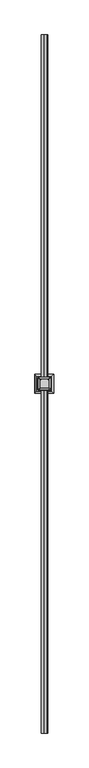
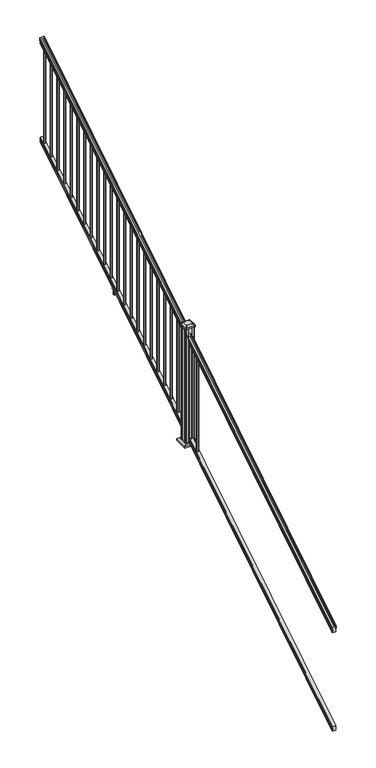
"""IFC4 building model written with IfcOpenShell, lengths in millimetres: railing geometry."""

from ifc_helpers import new_model, si_unit, point, frame, frame_2d, origin, place, context, project, spatial, polyline, circle_curve, ellipse_curve, trimmed, segment, composite_curve, outline, extrude, faceted_brep, source, transform, mapped, element, save
from ifc_brep_helpers import plane_surface, cylinder_surface, revolved_surface, extruded_surface, advanced_brep


def railing_0dab42d3(model_context):
    return source(origin(), model_context, "Body", "SolidModel", [
        advanced_brep(
        [(11110.7614371, -16813.8194681, 1285.6070492), (11113.3352659, -16813.8194681, 1285.6070492), (11113.3352659, -16813.8194681, 1273.0394336), (11112.3192659, -16813.8194681, 1271.841318), (11112.3192659, -16813.8194681, 1257.3), (11144.0692659, -16813.8194681, 1257.3), (11144.0692659, -16813.8194681, 1272.0274214), (11143.0532659, -16813.8194681, 1273.225537), (11143.0532659, -16813.8194681, 1285.6070492), (11145.6270946, -16813.8194681, 1285.6070492), (11145.6270946, -16813.8194681, 1287.8335658), (11146.7572809, -16813.8194681, 1289.6758543), (11146.7572809, -16813.8194681, 1298.1876358), (11146.1080245, -16813.8194681, 1301.0572588), (11148.6080245, -16813.8194681, 1306.1635509), (11150.017367, -16813.8194681, 1308.1442021), (11150.419266, -16813.8194681, 1309.4469579), (11150.4192659, -16813.8194681, 1311.0274846), (11148.8658186, -16813.8194681, 1312.8593836), (11128.1942659, -16813.8194681, 1312.8593836), (11107.5227131, -16813.8194681, 1312.8593836), (11105.9692659, -16813.8194681, 1311.0274846), (11105.9692659, -16813.8194681, 1309.4469579), (11106.3711648, -16813.8194681, 1308.1442021), (11107.7805072, -16813.8194681, 1306.1635509), (11110.2805072, -16813.8194681, 1301.0572588), (11109.6312508, -16813.8194681, 1298.1876358), (11109.6312508, -16813.8194681, 1289.6758543), (11110.7614371, -16813.8194681, 1287.8335658), (11110.7614371, -11937.0194681, 4333.6070492), (11110.7614371, -11937.0194681, 4335.8335658), (11109.6312508, -11937.0194681, 4337.6758543), (11109.6312508, -11937.0194681, 4346.1876358), (11110.2805072, -11937.0194681, 4349.0572588), (11107.7805072, -11937.0194681, 4354.1635509), (11106.3711648, -11937.0194681, 4356.1442021), (11105.9692658, -11937.0194681, 4357.4469579), (11105.9692659, -11937.0194681, 4359.0274846), (11107.5227131, -11937.0194681, 4360.8593836), (11128.1942659, -11937.0194681, 4360.8593836), (11148.8658186, -11937.0194681, 4360.8593836), (11150.4192659, -11937.0194681, 4359.0274846), (11150.4192659, -11937.0194681, 4357.4469579), (11150.017367, -11937.0194681, 4356.1442021), (11148.6080245, -11937.0194681, 4354.1635509), (11146.1080245, -11937.0194681, 4349.0572588), (11146.7572809, -11937.0194681, 4346.1876358), (11146.7572809, -11937.0194681, 4337.6758543), (11145.6270946, -11937.0194681, 4335.8335658), (11145.6270946, -11937.0194681, 4333.6070492), (11143.0532659, -11937.0194681, 4333.6070492), (11143.0532659, -11937.0194681, 4321.225537), (11144.0692659, -11937.0194681, 4320.0274214), (11144.0692659, -11937.0194681, 4305.3), (11112.3192659, -11937.0194681, 4305.3), (11112.3192659, -11937.0194681, 4319.841318), (11113.3352659, -11937.0194681, 4321.0394336), (11113.3352659, -11937.0194681, 4333.6070492)],
        [
            (0, 1, ellipse_curve(frame((11112.0483515, -16813.8194681, 1285.6070492), z_axis=(0.0, -1.0, 0.0), x_axis=(0.0, 0.0, -1.0)), 1.5175907, 1.2869144)),
            (1, 2),
            (2, 3),
            (3, 4),
            (4, 5),
            (5, 6),
            (6, 7),
            (7, 8),
            (8, 9, ellipse_curve(frame((11144.3401802, -16813.8194681, 1285.6070492), z_axis=(0.0, -1.0, 0.0), x_axis=(0.0, 0.0, -1.0)), 1.5175907, 1.2869144)),
            (9, 10),
            (10, 11, ellipse_curve(frame((11139.3123413, -16813.8194681, 1294.6239405), z_axis=(0.0, -1.0, 0.0), x_axis=(0.0, 0.0, -1.0)), 10.0777926, 8.545951)),
            (11, 12, ellipse_curve(frame((11139.7494043, -16813.8194681, 1293.9317451), z_axis=(0.0, -1.0, 0.0), x_axis=(0.0, 0.0, -1.0)), 9.2955186, 7.882584)),
            (12, 13, ellipse_curve(frame((11150.2627284, -16813.8194681, 1300.8275077), z_axis=(0.0, 1.0, 0.0), x_axis=(0.0, 0.0, 1.0)), 4.9048088, 4.1592695)),
            (13, 14, ellipse_curve(frame((11151.550035, -16813.8194681, 1300.7563208), z_axis=(0.0, 1.0, 0.0), x_axis=(0.0, 0.0, 1.0)), 6.4245301, 5.4479907)),
            (14, 15, ellipse_curve(frame((11150.3168765, -16813.8194681, 1306.1602333), z_axis=(0.0, 1.0, 0.0), x_axis=(0.0, 0.0, 1.0)), 2.0151625, 1.7088543)),
            (15, 16, ellipse_curve(frame((11148.6999764, -16813.8194681, 1309.4469579), z_axis=(0.0, -1.0, 0.0), x_axis=(0.0, 0.0, -1.0)), 2.0274681, 1.7192895)),
            (16, 17),
            (17, 18, ellipse_curve(frame((11148.8658186, -16813.8194681, 1311.0274846), z_axis=(0.0, -1.0, 0.0), x_axis=(0.0, 0.0, -1.0)), 1.831899, 1.5534472)),
            (18, 19),
            (19, 20),
            (20, 21, ellipse_curve(frame((11107.5227131, -16813.8194681, 1311.0274846), z_axis=(0.0, -1.0, 0.0), x_axis=(0.0, 0.0, -1.0)), 1.831899, 1.5534472)),
            (21, 22),
            (22, 23, ellipse_curve(frame((11107.6885553, -16813.8194681, 1309.4469579), z_axis=(0.0, -1.0, 0.0), x_axis=(0.0, 0.0, -1.0)), 2.0274681, 1.7192895)),
            (23, 24, ellipse_curve(frame((11106.0716552, -16813.8194681, 1306.1602333), z_axis=(0.0, 1.0, 0.0), x_axis=(0.0, 0.0, 1.0)), 2.0151625, 1.7088543)),
            (24, 25, ellipse_curve(frame((11104.8384968, -16813.8194681, 1300.7563208), z_axis=(0.0, 1.0, 0.0), x_axis=(0.0, 0.0, 1.0)), 6.4245301, 5.4479907)),
            (25, 26, ellipse_curve(frame((11106.1258033, -16813.8194681, 1300.8275077), z_axis=(0.0, 1.0, 0.0), x_axis=(0.0, 0.0, 1.0)), 4.9048088, 4.1592695)),
            (26, 27, ellipse_curve(frame((11116.6391275, -16813.8194681, 1293.9317451), z_axis=(0.0, -1.0, 0.0), x_axis=(0.0, 0.0, -1.0)), 9.2955186, 7.882584)),
            (27, 28, ellipse_curve(frame((11117.0761904, -16813.8194681, 1294.6239405), z_axis=(0.0, -1.0, 0.0), x_axis=(0.0, 0.0, -1.0)), 10.0777926, 8.545951)),
            (28, 0),
            (29, 30),
            (30, 31, ellipse_curve(frame((11117.0761904, -11937.0194681, 4342.6239405), z_axis=(0.0, 1.0, 0.0), x_axis=(0.0, 0.0, -1.0)), 10.0777926, 8.545951)),
            (31, 32, ellipse_curve(frame((11116.6391275, -11937.0194681, 4341.9317451), z_axis=(0.0, 1.0, 0.0), x_axis=(0.0, 0.0, -1.0)), 9.2955186, 7.882584)),
            (32, 33, ellipse_curve(frame((11106.1258033, -11937.0194681, 4348.8275077), z_axis=(0.0, -1.0, 0.0), x_axis=(0.0, 0.0, 1.0)), 4.9048088, 4.1592695)),
            (33, 34, ellipse_curve(frame((11104.8384968, -11937.0194681, 4348.7563208), z_axis=(0.0, -1.0, 0.0), x_axis=(0.0, 0.0, 1.0)), 6.4245301, 5.4479907)),
            (34, 35, ellipse_curve(frame((11106.0716552, -11937.0194681, 4354.1602333), z_axis=(0.0, -1.0, 0.0), x_axis=(0.0, 0.0, 1.0)), 2.0151625, 1.7088543)),
            (35, 36, ellipse_curve(frame((11107.6885553, -11937.0194681, 4357.4469579), z_axis=(0.0, 1.0, 0.0), x_axis=(0.0, 0.0, -1.0)), 2.0274681, 1.7192895)),
            (36, 37),
            (37, 38, ellipse_curve(frame((11107.5227131, -11937.0194681, 4359.0274846), z_axis=(0.0, 1.0, 0.0), x_axis=(0.0, 0.0, -1.0)), 1.831899, 1.5534472)),
            (38, 39),
            (39, 40),
            (40, 41, ellipse_curve(frame((11148.8658186, -11937.0194681, 4359.0274846), z_axis=(0.0, 1.0, 0.0), x_axis=(0.0, 0.0, -1.0)), 1.831899, 1.5534472)),
            (41, 42),
            (42, 43, ellipse_curve(frame((11148.6999764, -11937.0194681, 4357.4469579), z_axis=(0.0, 1.0, 0.0), x_axis=(0.0, 0.0, -1.0)), 2.0274681, 1.7192895)),
            (43, 44, ellipse_curve(frame((11150.3168765, -11937.0194681, 4354.1602333), z_axis=(0.0, -1.0, 0.0), x_axis=(0.0, 0.0, 1.0)), 2.0151625, 1.7088543)),
            (44, 45, ellipse_curve(frame((11151.550035, -11937.0194681, 4348.7563208), z_axis=(0.0, -1.0, 0.0), x_axis=(0.0, 0.0, 1.0)), 6.4245301, 5.4479907)),
            (45, 46, ellipse_curve(frame((11150.2627284, -11937.0194681, 4348.8275077), z_axis=(0.0, -1.0, 0.0), x_axis=(0.0, 0.0, 1.0)), 4.9048088, 4.1592695)),
            (46, 47, ellipse_curve(frame((11139.7494043, -11937.0194681, 4341.9317451), z_axis=(0.0, 1.0, 0.0), x_axis=(0.0, 0.0, -1.0)), 9.2955186, 7.882584)),
            (47, 48, ellipse_curve(frame((11139.3123413, -11937.0194681, 4342.6239405), z_axis=(0.0, 1.0, 0.0), x_axis=(0.0, 0.0, -1.0)), 10.0777926, 8.545951)),
            (48, 49),
            (49, 50, ellipse_curve(frame((11144.3401802, -11937.0194681, 4333.6070492), z_axis=(0.0, 1.0, 0.0), x_axis=(0.0, 0.0, -1.0)), 1.5175907, 1.2869144)),
            (50, 51),
            (51, 52),
            (52, 53),
            (53, 54),
            (54, 55),
            (55, 56),
            (56, 57),
            (57, 29, ellipse_curve(frame((11112.0483515, -11937.0194681, 4333.6070492), z_axis=(0.0, 1.0, 0.0), x_axis=(0.0, 0.0, -1.0)), 1.5175907, 1.2869144)),
            (0, 29),
            (57, 1),
            (56, 2),
            (55, 3),
            (54, 4),
            (53, 5),
            (52, 6),
            (51, 7),
            (50, 8),
            (49, 9),
            (48, 10),
            (47, 11),
            (46, 12),
            (45, 13),
            (44, 14),
            (43, 15),
            (42, 16),
            (41, 17),
            (40, 18),
            (39, 19),
            (38, 20),
            (37, 21),
            (36, 22),
            (35, 23),
            (34, 24),
            (33, 25),
            (32, 26),
            (31, 27),
            (30, 28),
        ],
        [
            plane_surface(frame((11128.1942659, -16813.8194681, 1257.3), z_axis=(0.0, -1.0, 0.0), x_axis=(0.0, 0.0, 1.0))),
            plane_surface(frame((11128.1942659, -11937.0194681, 4305.3), z_axis=(0.0, 1.0, 0.0), x_axis=(0.0, 0.0, 1.0))),
            cylinder_surface(frame((11112.0483515, -16826.5417374, 1277.6556309), z_axis=(0.0, -0.8479983040051253, -0.5299989400031204), x_axis=(1.0, 0.0, 0.0)), 1.2869144),
            plane_surface(frame((11113.3352659, -16813.8194681, 1285.6070492), z_axis=(-1.0000000000000002, 0.0, 0.0), x_axis=(0.0, 0.8479983040051253, 0.5299989400031204))),
            plane_surface(frame((11113.3352659, -16813.8194681, 1273.0394336), z_axis=(-0.7071067811865402, -0.3747658444978915, 0.5996253511967223), x_axis=(0.0, 0.8479983040051253, 0.5299989400031203))),
            plane_surface(frame((11112.3192659, -16813.8194681, 1271.841318), z_axis=(-1.0000000000000002, 0.0, 0.0), x_axis=(0.0, 0.8479983040051253, 0.5299989400031204))),
            plane_surface(frame((11112.3192659, -16813.8194681, 1257.3), z_axis=(0.0, 0.5299989400031204, -0.8479983040051252), x_axis=(0.0, 0.8479983040051252, 0.5299989400031204))),
            plane_surface(frame((11144.0692659, -16813.8194681, 1257.3), z_axis=(1.0000000000000002, 0.0, 0.0), x_axis=(0.0, 0.8479983040051253, 0.5299989400031204))),
            plane_surface(frame((11144.0692659, -16813.8194681, 1272.0274214), z_axis=(0.7071067811865425, -0.37476584449789213, 0.5996253511967193), x_axis=(0.0, 0.8479983040051253, 0.5299989400031203))),
            plane_surface(frame((11143.0532659, -16813.8194681, 1273.225537), z_axis=(1.0, 0.0, 0.0), x_axis=(0.0, 0.8479983040051252, 0.5299989400031204))),
            cylinder_surface(frame((11144.3401802, -16826.5417374, 1277.6556309), z_axis=(0.0, -0.8479983040051253, -0.5299989400031204), x_axis=(-1.0, 0.0, 0.0)), 1.2869144),
            plane_surface(frame((11145.6270946, -16813.8194681, 1285.6070492), z_axis=(1.0000000000000002, 0.0, 0.0), x_axis=(0.0, 0.8479983040051253, 0.5299989400031204))),
            cylinder_surface(frame((11139.3123413, -16830.5942728, 1284.1396876), z_axis=(0.0, -0.8479983040051253, -0.5299989400031204), x_axis=(-1.0, 0.0, 0.0)), 8.545951),
            cylinder_surface(frame((11139.7494043, -16830.2831737, 1283.641929), z_axis=(0.0, -0.8479983040051253, -0.5299989400031204), x_axis=(-1.0, 0.0, 0.0)), 7.882584),
            revolved_surface(polyline([(11146.1034589, -11934.815059650346, 4350.205262980555), (11146.1034589, -16816.023876549436, 1299.4497524191004)]), (11150.2627284, -16833.3823929, 1288.6006797), (0.0, 0.8479983040051253, 0.5299989400031204)),
            revolved_surface(polyline([(11146.1020443, -11934.132038835738, 4350.5609640771845), (11146.1020443, -16816.706897352808, 1298.9516775044945)]), (11151.550035, -16833.3503988, 1288.5494891), (0.0, 0.8479983040051253, 0.5299989400031204)),
            revolved_surface(polyline([(11148.608022199998, -11936.113777099785, 4354.726290199656), (11148.608022199998, -16814.72515912247, 1305.5941764359545)]), (11150.3168765, -16835.7791235, 1292.4354487), (0.0, 0.8479983040051253, 0.5299989400031204)),
            cylinder_surface(frame((11148.6999764, -16837.2563031, 1294.798936), z_axis=(0.0, -0.8479983040051253, -0.5299989400031204), x_axis=(-1.0, 0.0, 0.0)), 1.7192895),
            plane_surface(frame((11150.4192659, -16813.8194681, 1309.4469579), z_axis=(1.0000000000000002, 0.0, 0.0), x_axis=(0.0, 0.8479983040051253, 0.5299989400031204))),
            cylinder_surface(frame((11148.8658186, -16837.9666522, 1295.9354945), z_axis=(0.0, -0.8479983040051253, -0.5299989400031204), x_axis=(-1.0, 0.0, 0.0)), 1.5534472),
            plane_surface(frame((11148.8658186, -16813.8194681, 1312.8593836), z_axis=(0.0, -0.5299989400031204, 0.8479983040051252), x_axis=(0.0, 0.8479983040051252, 0.5299989400031204))),
            plane_surface(frame((11128.1942659, -16813.8194681, 1312.8593836), z_axis=(0.0, -0.5299989400031204, 0.8479983040051252), x_axis=(0.0, 0.8479983040051252, 0.5299989400031204))),
            cylinder_surface(frame((11107.5227131, -16837.9666522, 1295.9354945), z_axis=(0.0, -0.8479983040051253, -0.5299989400031204), x_axis=(1.0, 0.0, 0.0)), 1.5534472),
            plane_surface(frame((11105.9692659, -16813.8194681, 1311.0274846), z_axis=(-1.0, 0.0, 0.0), x_axis=(0.0, 0.8479983040051252, 0.5299989400031204))),
            cylinder_surface(frame((11107.6885553, -16837.2563031, 1294.798936), z_axis=(0.0, -0.8479983040051253, -0.5299989400031204), x_axis=(1.0, 0.0, 0.0)), 1.7192895),
            revolved_surface(polyline([(11107.7805095, -11936.113777099785, 4354.726290199656), (11107.7805095, -16814.72515912247, 1305.5941764359545)]), (11106.0716552, -16835.7791235, 1292.4354487), (0.0, 0.8479983040051253, 0.5299989400031204)),
            revolved_surface(polyline([(11110.2864875, -11934.132038835738, 4350.5609640771845), (11110.2864875, -16816.706897352808, 1298.9516775044945)]), (11104.8384968, -16833.3503988, 1288.5494891), (0.0, 0.8479983040051253, 0.5299989400031204)),
            revolved_surface(polyline([(11110.2850728, -11934.815059650346, 4350.205262980555), (11110.2850728, -16816.023876549436, 1299.4497524191004)]), (11106.1258033, -16833.3823929, 1288.6006797), (0.0, 0.8479983040051253, 0.5299989400031204)),
            cylinder_surface(frame((11116.6391275, -16830.2831737, 1283.641929), z_axis=(0.0, -0.8479983040051253, -0.5299989400031204), x_axis=(1.0, 0.0, 0.0)), 7.882584),
            cylinder_surface(frame((11117.0761904, -16830.5942728, 1284.1396876), z_axis=(0.0, -0.8479983040051253, -0.5299989400031204), x_axis=(1.0, 0.0, 0.0)), 8.545951),
            plane_surface(frame((11110.7614371, -16813.8194681, 1287.8335658), z_axis=(-1.0, 0.0, 0.0), x_axis=(0.0, 0.8479983040051252, 0.5299989400031204))),
        ],
        [
            (0, [[1, 2, 3, 4, 5, 6, 7, 8, 9, 10, 11, 12, 13, 14, 15, 16, 17, 18, 19, 20, 21, 22, 23, 24, 25, 26, 27, 28, 29]]),
            (1, [[30, 31, 32, 33, 34, 35, 36, 37, 38, 39, 40, 41, 42, 43, 44, 45, 46, 47, 48, 49, 50, 51, 52, 53, 54, 55, 56, 57, 58]]),
            (2, [[-1, 59, -58, 60]]),
            (3, [[-2, -60, -57, 61]]),
            (4, [[-3, -61, -56, 62]]),
            (5, [[-4, -62, -55, 63]]),
            (6, [[-5, -63, -54, 64]]),
            (7, [[-6, -64, -53, 65]]),
            (8, [[-7, -65, -52, 66]]),
            (9, [[-8, -66, -51, 67]]),
            (10, [[-9, -67, -50, 68]]),
            (11, [[-10, -68, -49, 69]]),
            (12, [[-11, -69, -48, 70]]),
            (13, [[-12, -70, -47, 71]]),
            (14, [[-13, -71, -46, 72]]),
            (15, [[-14, -72, -45, 73]]),
            (16, [[-15, -73, -44, 74]]),
            (17, [[-16, -74, -43, 75]]),
            (18, [[-17, -75, -42, 76]]),
            (19, [[-18, -76, -41, 77]]),
            (20, [[-19, -77, -40, 78]]),
            (21, [[-20, -78, -39, 79]]),
            (22, [[-21, -79, -38, 80]]),
            (23, [[-22, -80, -37, 81]]),
            (24, [[-23, -81, -36, 82]]),
            (25, [[-24, -82, -35, 83]]),
            (26, [[-25, -83, -34, 84]]),
            (27, [[-26, -84, -33, 85]]),
            (28, [[-27, -85, -32, 86]]),
            (29, [[-28, -86, -31, 87]]),
            (30, [[-29, -87, -30, -59]]),
        ],
    ),
        faceted_brep([(11112.281779, -16813.8194681, 268.8045079), (11112.281779, -16813.8194681, 254.0), (11144.031779, -16813.8194681, 254.0), (11144.031779, -16813.8194681, 268.7848772), (11143.015779, -16813.8194681, 270.3748303), (11143.015779, -16813.8194681, 282.5348741), (11144.031779, -16813.8194681, 284.1248272), (11144.031779, -16813.8194681, 298.9244744), (11112.281779, -16813.8194681, 298.9244744), (11112.281779, -16813.8194681, 284.1444579), (11113.297779, -16813.8194681, 282.5545048), (11113.297779, -16813.8194681, 270.338026), (11112.281779, -11937.0194681, 3316.8045079), (11113.297779, -11937.0194681, 3318.338026), (11113.297779, -11937.0194681, 3330.5545048), (11112.281779, -11937.0194681, 3332.1444579), (11112.281779, -11937.0194681, 3346.9244744), (11144.031779, -11937.0194681, 3346.9244744), (11144.031779, -11937.0194681, 3332.1248272), (11143.015779, -11937.0194681, 3330.5348741), (11143.015779, -11937.0194681, 3318.3748303), (11144.031779, -11937.0194681, 3316.7848772), (11144.031779, -11937.0194681, 3302.0), (11112.281779, -11937.0194681, 3302.0)], [[[0, 1, 2, 3, 4, 5, 6, 7, 8, 9, 10, 11]], [[12, 13, 14, 15, 16, 17, 18, 19, 20, 21, 22, 23]], [[1, 0, 12, 23]], [[2, 1, 23, 22]], [[3, 2, 22, 21]], [[4, 3, 21, 20]], [[5, 4, 20, 19]], [[6, 5, 19, 18]], [[7, 6, 18, 17]], [[8, 7, 17, 16]], [[9, 8, 16, 15]], [[10, 9, 15, 14]], [[11, 10, 14, 13]], [[0, 11, 13, 12]]]),
        extrude(outline(composite_curve([segment(trimmed(circle_curve(frame_2d((11128.1942659, -11984.2634681)), 9.525), [point((11118.6692659, -11984.2634681))], [point((11128.1942659, -11974.7384681))], False, "CARTESIAN"), True, "CONTINUOUS"), segment(trimmed(circle_curve(frame_2d((11128.1942659, -11984.2634681)), 9.525), [point((11128.1942659, -11974.7384681))], [point((11137.7192659, -11984.2634681))], False, "CARTESIAN"), True, "CONTINUOUS"), segment(trimmed(circle_curve(frame_2d((11128.1942659, -11984.2634681)), 9.525), [point((11137.7192659, -11984.2634681))], [point((11128.1942659, -11993.7884681))], False, "CARTESIAN"), True, "CONTINUOUS"), segment(trimmed(circle_curve(frame_2d((11128.1942659, -11984.2634681)), 9.525), [point((11128.1942659, -11993.7884681))], [point((11118.6692659, -11984.2634681))], False, "CARTESIAN"), True, "CONTINUOUS")], self_intersect=False)), frame((0.0, 0.0, 3310.5683781), z_axis=(0.0, 0.0, 1.0), x_axis=(1.0, 0.0, 0.0)), (0.0, 0.0, 1.0), 965.2041219),
        extrude(outline(composite_curve([segment(trimmed(circle_curve(frame_2d((11128.1942659, -12095.5154681)), 9.525), [point((11118.6692659, -12095.5154681))], [point((11128.1942659, -12085.9904681))], False, "CARTESIAN"), True, "CONTINUOUS"), segment(trimmed(circle_curve(frame_2d((11128.1942659, -12095.5154681)), 9.525), [point((11128.1942659, -12085.9904681))], [point((11137.7192659, -12095.5154681))], False, "CARTESIAN"), True, "CONTINUOUS"), segment(trimmed(circle_curve(frame_2d((11128.1942659, -12095.5154681)), 9.525), [point((11137.7192659, -12095.5154681))], [point((11128.1942659, -12105.0404681))], False, "CARTESIAN"), True, "CONTINUOUS"), segment(trimmed(circle_curve(frame_2d((11128.1942659, -12095.5154681)), 9.525), [point((11128.1942659, -12105.0404681))], [point((11118.6692659, -12095.5154681))], False, "CARTESIAN"), True, "CONTINUOUS")], self_intersect=False)), frame((0.0, 0.0, 3241.0358781), z_axis=(0.0, 0.0, 1.0), x_axis=(1.0, 0.0, 0.0)), (0.0, 0.0, 1.0), 965.2041219),
        extrude(outline(composite_curve([segment(trimmed(circle_curve(frame_2d((11128.1942659, -12206.7674681)), 9.525), [point((11118.6692659, -12206.7674681))], [point((11128.1942659, -12197.2424681))], False, "CARTESIAN"), True, "CONTINUOUS"), segment(trimmed(circle_curve(frame_2d((11128.1942659, -12206.7674681)), 9.525), [point((11128.1942659, -12197.2424681))], [point((11137.7192659, -12206.7674681))], False, "CARTESIAN"), True, "CONTINUOUS"), segment(trimmed(circle_curve(frame_2d((11128.1942659, -12206.7674681)), 9.525), [point((11137.7192659, -12206.7674681))], [point((11128.1942659, -12216.2924681))], False, "CARTESIAN"), True, "CONTINUOUS"), segment(trimmed(circle_curve(frame_2d((11128.1942659, -12206.7674681)), 9.525), [point((11128.1942659, -12216.2924681))], [point((11118.6692659, -12206.7674681))], False, "CARTESIAN"), True, "CONTINUOUS")], self_intersect=False)), frame((0.0, 0.0, 3171.5033781), z_axis=(0.0, 0.0, 1.0), x_axis=(1.0, 0.0, 0.0)), (0.0, 0.0, 1.0), 965.2041219),
        extrude(outline(composite_curve([segment(trimmed(circle_curve(frame_2d((11128.1942659, -12318.0194681)), 9.525), [point((11118.6692659, -12318.0194681))], [point((11128.1942659, -12308.4944681))], False, "CARTESIAN"), True, "CONTINUOUS"), segment(trimmed(circle_curve(frame_2d((11128.1942659, -12318.0194681)), 9.525), [point((11128.1942659, -12308.4944681))], [point((11137.7192659, -12318.0194681))], False, "CARTESIAN"), True, "CONTINUOUS"), segment(trimmed(circle_curve(frame_2d((11128.1942659, -12318.0194681)), 9.525), [point((11137.7192659, -12318.0194681))], [point((11128.1942659, -12327.5444681))], False, "CARTESIAN"), True, "CONTINUOUS"), segment(trimmed(circle_curve(frame_2d((11128.1942659, -12318.0194681)), 9.525), [point((11128.1942659, -12327.5444681))], [point((11118.6692659, -12318.0194681))], False, "CARTESIAN"), True, "CONTINUOUS")], self_intersect=False)), frame((0.0, 0.0, 3101.9708781), z_axis=(0.0, 0.0, 1.0), x_axis=(1.0, 0.0, 0.0)), (0.0, 0.0, 1.0), 965.2041219),
        extrude(outline(composite_curve([segment(trimmed(circle_curve(frame_2d((11128.1942659, -12429.2714681)), 9.525), [point((11118.6692659, -12429.2714681))], [point((11128.1942659, -12419.7464681))], False, "CARTESIAN"), True, "CONTINUOUS"), segment(trimmed(circle_curve(frame_2d((11128.1942659, -12429.2714681)), 9.525), [point((11128.1942659, -12419.7464681))], [point((11137.7192659, -12429.2714681))], False, "CARTESIAN"), True, "CONTINUOUS"), segment(trimmed(circle_curve(frame_2d((11128.1942659, -12429.2714681)), 9.525), [point((11137.7192659, -12429.2714681))], [point((11128.1942659, -12438.7964681))], False, "CARTESIAN"), True, "CONTINUOUS"), segment(trimmed(circle_curve(frame_2d((11128.1942659, -12429.2714681)), 9.525), [point((11128.1942659, -12438.7964681))], [point((11118.6692659, -12429.2714681))], False, "CARTESIAN"), True, "CONTINUOUS")], self_intersect=False)), frame((0.0, 0.0, 3032.4383781), z_axis=(0.0, 0.0, 1.0), x_axis=(1.0, 0.0, 0.0)), (0.0, 0.0, 1.0), 965.2041219),
        extrude(outline(composite_curve([segment(trimmed(circle_curve(frame_2d((11128.1942659, -12540.5234681)), 9.525), [point((11118.6692659, -12540.5234681))], [point((11128.1942659, -12530.9984681))], False, "CARTESIAN"), True, "CONTINUOUS"), segment(trimmed(circle_curve(frame_2d((11128.1942659, -12540.5234681)), 9.525), [point((11128.1942659, -12530.9984681))], [point((11137.7192659, -12540.5234681))], False, "CARTESIAN"), True, "CONTINUOUS"), segment(trimmed(circle_curve(frame_2d((11128.1942659, -12540.5234681)), 9.525), [point((11137.7192659, -12540.5234681))], [point((11128.1942659, -12550.0484681))], False, "CARTESIAN"), True, "CONTINUOUS"), segment(trimmed(circle_curve(frame_2d((11128.1942659, -12540.5234681)), 9.525), [point((11128.1942659, -12550.0484681))], [point((11118.6692659, -12540.5234681))], False, "CARTESIAN"), True, "CONTINUOUS")], self_intersect=False)), frame((0.0, 0.0, 2962.9058781), z_axis=(0.0, 0.0, 1.0), x_axis=(1.0, 0.0, 0.0)), (0.0, 0.0, 1.0), 965.2041219),
        extrude(outline(composite_curve([segment(trimmed(circle_curve(frame_2d((11128.1942659, -12651.7754681)), 9.525), [point((11118.6692659, -12651.7754681))], [point((11128.1942659, -12642.2504681))], False, "CARTESIAN"), True, "CONTINUOUS"), segment(trimmed(circle_curve(frame_2d((11128.1942659, -12651.7754681)), 9.525), [point((11128.1942659, -12642.2504681))], [point((11137.7192659, -12651.7754681))], False, "CARTESIAN"), True, "CONTINUOUS"), segment(trimmed(circle_curve(frame_2d((11128.1942659, -12651.7754681)), 9.525), [point((11137.7192659, -12651.7754681))], [point((11128.1942659, -12661.3004681))], False, "CARTESIAN"), True, "CONTINUOUS"), segment(trimmed(circle_curve(frame_2d((11128.1942659, -12651.7754681)), 9.525), [point((11128.1942659, -12661.3004681))], [point((11118.6692659, -12651.7754681))], False, "CARTESIAN"), True, "CONTINUOUS")], self_intersect=False)), frame((0.0, 0.0, 2893.3733781), z_axis=(0.0, 0.0, 1.0), x_axis=(1.0, 0.0, 0.0)), (0.0, 0.0, 1.0), 965.2041219),
        extrude(outline(composite_curve([segment(trimmed(circle_curve(frame_2d((11128.1942659, -12763.0274681)), 9.525), [point((11118.6692659, -12763.0274681))], [point((11128.1942659, -12753.5024681))], False, "CARTESIAN"), True, "CONTINUOUS"), segment(trimmed(circle_curve(frame_2d((11128.1942659, -12763.0274681)), 9.525), [point((11128.1942659, -12753.5024681))], [point((11137.7192659, -12763.0274681))], False, "CARTESIAN"), True, "CONTINUOUS"), segment(trimmed(circle_curve(frame_2d((11128.1942659, -12763.0274681)), 9.525), [point((11137.7192659, -12763.0274681))], [point((11128.1942659, -12772.5524681))], False, "CARTESIAN"), True, "CONTINUOUS"), segment(trimmed(circle_curve(frame_2d((11128.1942659, -12763.0274681)), 9.525), [point((11128.1942659, -12772.5524681))], [point((11118.6692659, -12763.0274681))], False, "CARTESIAN"), True, "CONTINUOUS")], self_intersect=False)), frame((0.0, 0.0, 2823.8408781), z_axis=(0.0, 0.0, 1.0), x_axis=(1.0, 0.0, 0.0)), (0.0, 0.0, 1.0), 965.2041219),
        extrude(outline(composite_curve([segment(trimmed(circle_curve(frame_2d((11128.1942659, -12874.2794681)), 9.525), [point((11118.6692659, -12874.2794681))], [point((11128.1942659, -12864.7544681))], False, "CARTESIAN"), True, "CONTINUOUS"), segment(trimmed(circle_curve(frame_2d((11128.1942659, -12874.2794681)), 9.525), [point((11128.1942659, -12864.7544681))], [point((11137.7192659, -12874.2794681))], False, "CARTESIAN"), True, "CONTINUOUS"), segment(trimmed(circle_curve(frame_2d((11128.1942659, -12874.2794681)), 9.525), [point((11137.7192659, -12874.2794681))], [point((11128.1942659, -12883.8044681))], False, "CARTESIAN"), True, "CONTINUOUS"), segment(trimmed(circle_curve(frame_2d((11128.1942659, -12874.2794681)), 9.525), [point((11128.1942659, -12883.8044681))], [point((11118.6692659, -12874.2794681))], False, "CARTESIAN"), True, "CONTINUOUS")], self_intersect=False)), frame((0.0, 0.0, 2754.3083781), z_axis=(0.0, 0.0, 1.0), x_axis=(1.0, 0.0, 0.0)), (0.0, 0.0, 1.0), 965.2041219),
        extrude(outline(composite_curve([segment(trimmed(circle_curve(frame_2d((11128.1942659, -12985.5314681)), 9.525), [point((11118.6692659, -12985.5314681))], [point((11128.1942659, -12976.0064681))], False, "CARTESIAN"), True, "CONTINUOUS"), segment(trimmed(circle_curve(frame_2d((11128.1942659, -12985.5314681)), 9.525), [point((11128.1942659, -12976.0064681))], [point((11137.7192659, -12985.5314681))], False, "CARTESIAN"), True, "CONTINUOUS"), segment(trimmed(circle_curve(frame_2d((11128.1942659, -12985.5314681)), 9.525), [point((11137.7192659, -12985.5314681))], [point((11128.1942659, -12995.0564681))], False, "CARTESIAN"), True, "CONTINUOUS"), segment(trimmed(circle_curve(frame_2d((11128.1942659, -12985.5314681)), 9.525), [point((11128.1942659, -12995.0564681))], [point((11118.6692659, -12985.5314681))], False, "CARTESIAN"), True, "CONTINUOUS")], self_intersect=False)), frame((0.0, 0.0, 2684.7758781), z_axis=(0.0, 0.0, 1.0), x_axis=(1.0, 0.0, 0.0)), (0.0, 0.0, 1.0), 965.2041219),
        extrude(outline(composite_curve([segment(trimmed(circle_curve(frame_2d((11128.1942659, -13096.7834681)), 9.525), [point((11118.6692659, -13096.7834681))], [point((11128.1942659, -13087.2584681))], False, "CARTESIAN"), True, "CONTINUOUS"), segment(trimmed(circle_curve(frame_2d((11128.1942659, -13096.7834681)), 9.525), [point((11128.1942659, -13087.2584681))], [point((11137.7192659, -13096.7834681))], False, "CARTESIAN"), True, "CONTINUOUS"), segment(trimmed(circle_curve(frame_2d((11128.1942659, -13096.7834681)), 9.525), [point((11137.7192659, -13096.7834681))], [point((11128.1942659, -13106.3084681))], False, "CARTESIAN"), True, "CONTINUOUS"), segment(trimmed(circle_curve(frame_2d((11128.1942659, -13096.7834681)), 9.525), [point((11128.1942659, -13106.3084681))], [point((11118.6692659, -13096.7834681))], False, "CARTESIAN"), True, "CONTINUOUS")], self_intersect=False)), frame((0.0, 0.0, 2615.2433781), z_axis=(0.0, 0.0, 1.0), x_axis=(1.0, 0.0, 0.0)), (0.0, 0.0, 1.0), 965.2041219),
        extrude(outline(polyline([(2565.2203979, 11146.3552647), (2565.2203979, 11144.3232651), (2564.2043953, 11143.3072653), (2553.7686081, 11143.3072653), (2552.7526073, 11144.3232651), (2540.762001, 11144.3232651), (2540.0000019, 11143.561266), (2540.0000019, 11112.8272648), (2540.762001, 11112.0652657), (2552.7526073, 11112.0652657), (2553.7686081, 11113.0812655), (2564.2043953, 11113.0812655), (2565.2203979, 11112.0652657), (2565.2203979, 11110.0332661), (2564.4583969, 11109.2712651), (2537.9680023, 11109.2712651), (2537.2060013, 11110.0332661), (2537.2060013, 11120.0662651), (2536.4440012, 11120.8282652), (2477.262001, 11120.8282652), (2476.5, 11121.5902663), (2476.5, 11134.7982655), (2477.2620001, 11135.5602656), (2536.4440012, 11135.5602656), (2537.2060013, 11136.3222657), (2537.2060013, 11146.3552647), (2537.9680023, 11147.1172657), (2564.4583969, 11147.1172657), (2565.2203979, 11146.3552647)]), holes=[polyline([(2537.2060013, 11124.7652655), (2537.2060013, 11131.6232653), (2536.4440012, 11132.3852654), (2480.4370003, 11132.3852654), (2479.6750031, 11131.6232682), (2479.6750031, 11124.7652655), (2480.4370031, 11124.0032654), (2536.4440012, 11124.0032654), (2537.2060013, 11124.7652655)])]), frame((0.0, -13159.7754681, 0.0), z_axis=(0.0, 1.0, 0.0), x_axis=(0.0, 0.0, 1.0)), (0.0, 0.0, 1.0), 14.732),
        extrude(outline(composite_curve([segment(trimmed(circle_curve(frame_2d((11128.1942659, -13208.0354681)), 9.525), [point((11118.6692659, -13208.0354681))], [point((11128.1942659, -13198.5104681))], False, "CARTESIAN"), True, "CONTINUOUS"), segment(trimmed(circle_curve(frame_2d((11128.1942659, -13208.0354681)), 9.525), [point((11128.1942659, -13198.5104681))], [point((11137.7192659, -13208.0354681))], False, "CARTESIAN"), True, "CONTINUOUS"), segment(trimmed(circle_curve(frame_2d((11128.1942659, -13208.0354681)), 9.525), [point((11137.7192659, -13208.0354681))], [point((11128.1942659, -13217.5604681))], False, "CARTESIAN"), True, "CONTINUOUS"), segment(trimmed(circle_curve(frame_2d((11128.1942659, -13208.0354681)), 9.525), [point((11128.1942659, -13217.5604681))], [point((11118.6692659, -13208.0354681))], False, "CARTESIAN"), True, "CONTINUOUS")], self_intersect=False)), frame((0.0, 0.0, 2545.7108781), z_axis=(0.0, 0.0, 1.0), x_axis=(1.0, 0.0, 0.0)), (0.0, 0.0, 1.0), 965.2041219),
        extrude(outline(composite_curve([segment(trimmed(circle_curve(frame_2d((11128.1942659, -13319.2874681)), 9.525), [point((11118.6692659, -13319.2874681))], [point((11128.1942659, -13309.7624681))], False, "CARTESIAN"), True, "CONTINUOUS"), segment(trimmed(circle_curve(frame_2d((11128.1942659, -13319.2874681)), 9.525), [point((11128.1942659, -13309.7624681))], [point((11137.7192659, -13319.2874681))], False, "CARTESIAN"), True, "CONTINUOUS"), segment(trimmed(circle_curve(frame_2d((11128.1942659, -13319.2874681)), 9.525), [point((11137.7192659, -13319.2874681))], [point((11128.1942659, -13328.8124681))], False, "CARTESIAN"), True, "CONTINUOUS"), segment(trimmed(circle_curve(frame_2d((11128.1942659, -13319.2874681)), 9.525), [point((11128.1942659, -13328.8124681))], [point((11118.6692659, -13319.2874681))], False, "CARTESIAN"), True, "CONTINUOUS")], self_intersect=False)), frame((0.0, 0.0, 2476.1783781), z_axis=(0.0, 0.0, 1.0), x_axis=(1.0, 0.0, 0.0)), (0.0, 0.0, 1.0), 965.2041219),
        extrude(outline(composite_curve([segment(trimmed(circle_curve(frame_2d((11128.1942659, -13430.5394681)), 9.525), [point((11118.6692659, -13430.5394681))], [point((11128.1942659, -13421.0144681))], False, "CARTESIAN"), True, "CONTINUOUS"), segment(trimmed(circle_curve(frame_2d((11128.1942659, -13430.5394681)), 9.525), [point((11128.1942659, -13421.0144681))], [point((11137.7192659, -13430.5394681))], False, "CARTESIAN"), True, "CONTINUOUS"), segment(trimmed(circle_curve(frame_2d((11128.1942659, -13430.5394681)), 9.525), [point((11137.7192659, -13430.5394681))], [point((11128.1942659, -13440.0644681))], False, "CARTESIAN"), True, "CONTINUOUS"), segment(trimmed(circle_curve(frame_2d((11128.1942659, -13430.5394681)), 9.525), [point((11128.1942659, -13440.0644681))], [point((11118.6692659, -13430.5394681))], False, "CARTESIAN"), True, "CONTINUOUS")], self_intersect=False)), frame((0.0, 0.0, 2406.6458781), z_axis=(0.0, 0.0, 1.0), x_axis=(1.0, 0.0, 0.0)), (0.0, 0.0, 1.0), 965.2041219),
        extrude(outline(composite_curve([segment(trimmed(circle_curve(frame_2d((11128.1942659, -13541.7914681)), 9.525), [point((11118.6692659, -13541.7914681))], [point((11128.1942659, -13532.2664681))], False, "CARTESIAN"), True, "CONTINUOUS"), segment(trimmed(circle_curve(frame_2d((11128.1942659, -13541.7914681)), 9.525), [point((11128.1942659, -13532.2664681))], [point((11137.7192659, -13541.7914681))], False, "CARTESIAN"), True, "CONTINUOUS"), segment(trimmed(circle_curve(frame_2d((11128.1942659, -13541.7914681)), 9.525), [point((11137.7192659, -13541.7914681))], [point((11128.1942659, -13551.3164681))], False, "CARTESIAN"), True, "CONTINUOUS"), segment(trimmed(circle_curve(frame_2d((11128.1942659, -13541.7914681)), 9.525), [point((11128.1942659, -13551.3164681))], [point((11118.6692659, -13541.7914681))], False, "CARTESIAN"), True, "CONTINUOUS")], self_intersect=False)), frame((0.0, 0.0, 2337.1133781), z_axis=(0.0, 0.0, 1.0), x_axis=(1.0, 0.0, 0.0)), (0.0, 0.0, 1.0), 965.2041219),
        extrude(outline(composite_curve([segment(trimmed(circle_curve(frame_2d((11128.1942659, -13653.0434681)), 9.525), [point((11118.6692659, -13653.0434681))], [point((11128.1942659, -13643.5184681))], False, "CARTESIAN"), True, "CONTINUOUS"), segment(trimmed(circle_curve(frame_2d((11128.1942659, -13653.0434681)), 9.525), [point((11128.1942659, -13643.5184681))], [point((11137.7192659, -13653.0434681))], False, "CARTESIAN"), True, "CONTINUOUS"), segment(trimmed(circle_curve(frame_2d((11128.1942659, -13653.0434681)), 9.525), [point((11137.7192659, -13653.0434681))], [point((11128.1942659, -13662.5684681))], False, "CARTESIAN"), True, "CONTINUOUS"), segment(trimmed(circle_curve(frame_2d((11128.1942659, -13653.0434681)), 9.525), [point((11128.1942659, -13662.5684681))], [point((11118.6692659, -13653.0434681))], False, "CARTESIAN"), True, "CONTINUOUS")], self_intersect=False)), frame((0.0, 0.0, 2267.5808781), z_axis=(0.0, 0.0, 1.0), x_axis=(1.0, 0.0, 0.0)), (0.0, 0.0, 1.0), 965.2041219),
        extrude(outline(composite_curve([segment(trimmed(circle_curve(frame_2d((11128.1942659, -13764.2954681)), 9.525), [point((11118.6692659, -13764.2954681))], [point((11128.1942659, -13754.7704681))], False, "CARTESIAN"), True, "CONTINUOUS"), segment(trimmed(circle_curve(frame_2d((11128.1942659, -13764.2954681)), 9.525), [point((11128.1942659, -13754.7704681))], [point((11137.7192659, -13764.2954681))], False, "CARTESIAN"), True, "CONTINUOUS"), segment(trimmed(circle_curve(frame_2d((11128.1942659, -13764.2954681)), 9.525), [point((11137.7192659, -13764.2954681))], [point((11128.1942659, -13773.8204681))], False, "CARTESIAN"), True, "CONTINUOUS"), segment(trimmed(circle_curve(frame_2d((11128.1942659, -13764.2954681)), 9.525), [point((11128.1942659, -13773.8204681))], [point((11118.6692659, -13764.2954681))], False, "CARTESIAN"), True, "CONTINUOUS")], self_intersect=False)), frame((0.0, 0.0, 2198.0483781), z_axis=(0.0, 0.0, 1.0), x_axis=(1.0, 0.0, 0.0)), (0.0, 0.0, 1.0), 965.2041219),
        extrude(outline(composite_curve([segment(trimmed(circle_curve(frame_2d((11128.1942659, -13875.5474681)), 9.525), [point((11118.6692659, -13875.5474681))], [point((11128.1942659, -13866.0224681))], False, "CARTESIAN"), True, "CONTINUOUS"), segment(trimmed(circle_curve(frame_2d((11128.1942659, -13875.5474681)), 9.525), [point((11128.1942659, -13866.0224681))], [point((11137.7192659, -13875.5474681))], False, "CARTESIAN"), True, "CONTINUOUS"), segment(trimmed(circle_curve(frame_2d((11128.1942659, -13875.5474681)), 9.525), [point((11137.7192659, -13875.5474681))], [point((11128.1942659, -13885.0724681))], False, "CARTESIAN"), True, "CONTINUOUS"), segment(trimmed(circle_curve(frame_2d((11128.1942659, -13875.5474681)), 9.525), [point((11128.1942659, -13885.0724681))], [point((11118.6692659, -13875.5474681))], False, "CARTESIAN"), True, "CONTINUOUS")], self_intersect=False)), frame((0.0, 0.0, 2128.5158781), z_axis=(0.0, 0.0, 1.0), x_axis=(1.0, 0.0, 0.0)), (0.0, 0.0, 1.0), 965.2041219),
        extrude(outline(composite_curve([segment(trimmed(circle_curve(frame_2d((11128.1942659, -13986.7994681)), 9.525), [point((11118.6692659, -13986.7994681))], [point((11128.1942659, -13977.2744681))], False, "CARTESIAN"), True, "CONTINUOUS"), segment(trimmed(circle_curve(frame_2d((11128.1942659, -13986.7994681)), 9.525), [point((11128.1942659, -13977.2744681))], [point((11137.7192659, -13986.7994681))], False, "CARTESIAN"), True, "CONTINUOUS"), segment(trimmed(circle_curve(frame_2d((11128.1942659, -13986.7994681)), 9.525), [point((11137.7192659, -13986.7994681))], [point((11128.1942659, -13996.3244681))], False, "CARTESIAN"), True, "CONTINUOUS"), segment(trimmed(circle_curve(frame_2d((11128.1942659, -13986.7994681)), 9.525), [point((11128.1942659, -13996.3244681))], [point((11118.6692659, -13986.7994681))], False, "CARTESIAN"), True, "CONTINUOUS")], self_intersect=False)), frame((0.0, 0.0, 2058.9833781), z_axis=(0.0, 0.0, 1.0), x_axis=(1.0, 0.0, 0.0)), (0.0, 0.0, 1.0), 965.2041219),
        extrude(outline(composite_curve([segment(trimmed(circle_curve(frame_2d((11128.1942659, -14098.0514681)), 9.525), [point((11118.6692659, -14098.0514681))], [point((11128.1942659, -14088.5264681))], False, "CARTESIAN"), True, "CONTINUOUS"), segment(trimmed(circle_curve(frame_2d((11128.1942659, -14098.0514681)), 9.525), [point((11128.1942659, -14088.5264681))], [point((11137.7192659, -14098.0514681))], False, "CARTESIAN"), True, "CONTINUOUS"), segment(trimmed(circle_curve(frame_2d((11128.1942659, -14098.0514681)), 9.525), [point((11137.7192659, -14098.0514681))], [point((11128.1942659, -14107.5764681))], False, "CARTESIAN"), True, "CONTINUOUS"), segment(trimmed(circle_curve(frame_2d((11128.1942659, -14098.0514681)), 9.525), [point((11128.1942659, -14107.5764681))], [point((11118.6692659, -14098.0514681))], False, "CARTESIAN"), True, "CONTINUOUS")], self_intersect=False)), frame((0.0, 0.0, 1989.4508781), z_axis=(0.0, 0.0, 1.0), x_axis=(1.0, 0.0, 0.0)), (0.0, 0.0, 1.0), 965.2041219),
        extrude(outline(composite_curve([segment(trimmed(circle_curve(frame_2d((11128.1942659, -14209.3034681)), 9.525), [point((11118.6692659, -14209.3034681))], [point((11128.1942659, -14199.7784681))], False, "CARTESIAN"), True, "CONTINUOUS"), segment(trimmed(circle_curve(frame_2d((11128.1942659, -14209.3034681)), 9.525), [point((11128.1942659, -14199.7784681))], [point((11137.7192659, -14209.3034681))], False, "CARTESIAN"), True, "CONTINUOUS"), segment(trimmed(circle_curve(frame_2d((11128.1942659, -14209.3034681)), 9.525), [point((11137.7192659, -14209.3034681))], [point((11128.1942659, -14218.8284681))], False, "CARTESIAN"), True, "CONTINUOUS"), segment(trimmed(circle_curve(frame_2d((11128.1942659, -14209.3034681)), 9.525), [point((11128.1942659, -14218.8284681))], [point((11118.6692659, -14209.3034681))], False, "CARTESIAN"), True, "CONTINUOUS")], self_intersect=False)), frame((0.0, 0.0, 1919.9183781), z_axis=(0.0, 0.0, 1.0), x_axis=(1.0, 0.0, 0.0)), (0.0, 0.0, 1.0), 965.2041219),
        extrude(outline(composite_curve([segment(trimmed(circle_curve(frame_2d((11128.1942659, -14320.5554681)), 9.525), [point((11118.6692659, -14320.5554681))], [point((11128.1942659, -14311.0304681))], False, "CARTESIAN"), True, "CONTINUOUS"), segment(trimmed(circle_curve(frame_2d((11128.1942659, -14320.5554681)), 9.525), [point((11128.1942659, -14311.0304681))], [point((11137.7192659, -14320.5554681))], False, "CARTESIAN"), True, "CONTINUOUS"), segment(trimmed(circle_curve(frame_2d((11128.1942659, -14320.5554681)), 9.525), [point((11137.7192659, -14320.5554681))], [point((11128.1942659, -14330.0804681))], False, "CARTESIAN"), True, "CONTINUOUS"), segment(trimmed(circle_curve(frame_2d((11128.1942659, -14320.5554681)), 9.525), [point((11128.1942659, -14330.0804681))], [point((11118.6692659, -14320.5554681))], False, "CARTESIAN"), True, "CONTINUOUS")], self_intersect=False)), frame((0.0, 0.0, 1850.3858781), z_axis=(0.0, 0.0, 1.0), x_axis=(1.0, 0.0, 0.0)), (0.0, 0.0, 1.0), 965.2041219),
        faceted_brep([(11075.6083284, -14425.4654056, 1743.075), (11180.7802034, -14425.4654056, 1743.075), (11180.7802034, -14320.2935306, 1743.075), (11075.6083284, -14320.2935306, 1743.075), (11061.5688753, -14439.5048587, 1729.74), (11061.5688753, -14306.2540775, 1729.74), (11194.8196565, -14306.2540775, 1729.74), (11194.8196565, -14439.5048587, 1729.74)], [[[0, 1, 2, 3]], [[4, 5, 6, 7]], [[4, 7, 1, 0]], [[7, 6, 2, 1]], [[6, 5, 3, 2]], [[5, 4, 0, 3]]]),
        extrude(outline(polyline([(11061.5688753, -14439.5048587), (11061.5688753, -14306.2540775), (11194.8196565, -14306.2540775), (11194.8196565, -14439.5048587), (11061.5688753, -14439.5048587)])), frame((0.0, 0.0, 1714.5), z_axis=(0.0, 0.0, 1.0), x_axis=(1.0, 0.0, 0.0)), (0.0, 0.0, 1.0), 15.24),
        advanced_brep(
        [(11153.9911409, -14401.8513431, 2928.426763), (11157.1661409, -14398.6763431, 2928.426763), (11157.1661409, -14347.0825931, 2928.426763), (11153.9911409, -14343.9075931, 2928.426763), (11102.3973909, -14343.9075931, 2928.426763), (11099.2223909, -14347.0825931, 2928.426763), (11099.2223909, -14398.6763431, 2928.426763), (11102.3973909, -14401.8513431, 2928.426763), (11170.2630159, -14418.1232181, 2917.123763), (11086.1255159, -14418.1232181, 2917.123763), (11082.9505159, -14414.9482181, 2917.123763), (11082.9505159, -14330.8107181, 2917.123763), (11086.1255159, -14327.6357181, 2917.123763), (11170.2630159, -14327.6357181, 2917.123763), (11173.4380159, -14330.8107181, 2917.123763), (11173.4380159, -14414.9482181, 2917.123763)],
        [
            (0, 1, circle_curve(frame((11153.9911409, -14398.6763431, 2928.426763), z_axis=(0.0, 0.0, 1.0), x_axis=(0.0, 1.0, 0.0)), 3.175)),
            (1, 2),
            (2, 3, circle_curve(frame((11153.9911409, -14347.0825931, 2928.426763), z_axis=(0.0, 0.0, 1.0), x_axis=(0.0, 1.0, 0.0)), 3.175)),
            (3, 4),
            (4, 5, circle_curve(frame((11102.3973909, -14347.0825931, 2928.426763), z_axis=(0.0, 0.0, 1.0), x_axis=(0.0, 1.0, 0.0)), 3.175)),
            (5, 6),
            (6, 7, circle_curve(frame((11102.3973909, -14398.6763431, 2928.426763), z_axis=(0.0, 0.0, 1.0), x_axis=(0.0, 1.0, 0.0)), 3.175)),
            (7, 0),
            (8, 9),
            (9, 10, circle_curve(frame((11086.1255159, -14414.9482181, 2917.123763), z_axis=(0.0, 0.0, -1.0), x_axis=(0.0, 1.0, 0.0)), 3.175)),
            (10, 11),
            (11, 12, circle_curve(frame((11086.1255159, -14330.8107181, 2917.123763), z_axis=(0.0, 0.0, -1.0), x_axis=(0.0, 1.0, 0.0)), 3.175)),
            (12, 13),
            (13, 14, circle_curve(frame((11170.2630159, -14330.8107181, 2917.123763), z_axis=(0.0, 0.0, -1.0), x_axis=(0.0, 1.0, 0.0)), 3.175)),
            (14, 15),
            (15, 8, circle_curve(frame((11170.2630159, -14414.9482181, 2917.123763), z_axis=(0.0, 0.0, -1.0), x_axis=(0.0, 1.0, 0.0)), 3.175)),
            (15, 1),
            (0, 8),
            (14, 2),
            (13, 3),
            (12, 4),
            (11, 5),
            (10, 6),
            (9, 7),
        ],
        [
            plane_surface(frame((11128.1942659, -14372.8794681, 2928.426763), z_axis=(0.0, 0.0, 1.0), x_axis=(1.0, 0.0, 0.0))),
            plane_surface(frame((11128.1942659, -14372.8794681, 2917.123763), z_axis=(0.0, 0.0, -1.0), x_axis=(1.0, 0.0, 0.0))),
            extruded_surface(trimmed(circle_curve(frame((11170.2630159, -14414.9482181, 2917.123763), z_axis=(0.0, 0.0, 1.0), x_axis=(0.0, 1.0, 0.0)), 3.175), [point((11170.2630159, -14418.1232181, 2917.123763))], [point((11173.4380159, -14414.9482181, 2917.123763))], True, "CARTESIAN"), (-16.271875000000364, 16.271875000000364, 11.302999999999884), 25.63797263886657),
            plane_surface(frame((11173.4380159, -14372.8794681, 2917.123763), z_axis=(0.5705009161540777, 0.0, 0.8212969649690409), x_axis=(0.0, 1.0, 0.0))),
            extruded_surface(trimmed(circle_curve(frame((11170.2630159, -14330.8107181, 2917.123763), z_axis=(0.0, 0.0, 1.0), x_axis=(0.0, 1.0, 0.0)), 3.175), [point((11173.4380159, -14330.8107181, 2917.123763))], [point((11170.2630159, -14327.6357181, 2917.123763))], True, "CARTESIAN"), (-16.271875000000364, -16.271875000000364, 11.302999999999884), 25.63797263886657),
            plane_surface(frame((11128.1942659, -14327.6357181, 2917.123763), z_axis=(0.0, 0.5705009161540291, 0.8212969649690747), x_axis=(-1.0, 0.0, 0.0))),
            extruded_surface(trimmed(circle_curve(frame((11086.1255159, -14330.8107181, 2917.123763), z_axis=(0.0, 0.0, 1.0), x_axis=(0.0, 1.0, 0.0)), 3.175), [point((11086.1255159, -14327.6357181, 2917.123763))], [point((11082.9505159, -14330.8107181, 2917.123763))], True, "CARTESIAN"), (16.271875000000364, -16.271875000000364, 11.302999999999884), 25.63797263886657),
            plane_surface(frame((11082.9505159, -14372.8794681, 2917.123763), z_axis=(-0.5705009161540143, 0.0, 0.821296964969085), x_axis=(0.0, -1.0, 0.0))),
            extruded_surface(trimmed(circle_curve(frame((11086.1255159, -14414.9482181, 2917.123763), z_axis=(0.0, 0.0, 1.0), x_axis=(0.0, 1.0, 0.0)), 3.175), [point((11082.9505159, -14414.9482181, 2917.123763))], [point((11086.1255159, -14418.1232181, 2917.123763))], True, "CARTESIAN"), (16.271875000000364, 16.271875000000364, 11.302999999999884), 25.63797263886657),
            plane_surface(frame((11128.1942659, -14418.1232181, 2917.123763), z_axis=(0.0, -0.570500916154034, 0.8212969649690713), x_axis=(1.0, 0.0, 0.0))),
        ],
        [
            (0, [[1, 2, 3, 4, 5, 6, 7, 8]]),
            (1, [[9, 10, 11, 12, 13, 14, 15, 16]]),
            (2, [[-16, 17, -1, 18]]),
            (3, [[-15, 19, -2, -17]]),
            (4, [[-14, 20, -3, -19]]),
            (5, [[-13, 21, -4, -20]]),
            (6, [[-12, 22, -5, -21]]),
            (7, [[-11, 23, -6, -22]]),
            (8, [[-10, 24, -7, -23]]),
            (9, [[-9, -18, -8, -24]]),
        ],
    ),
        extrude(outline(composite_curve([segment(polyline([(11170.2630159, -14418.1232181), (11086.1255159, -14418.1232181)]), True, "CONTINUOUS"), segment(trimmed(circle_curve(frame_2d((11086.1255159, -14414.9482181)), 3.175), [point((11086.1255159, -14418.1232181))], [point((11082.9505159, -14414.9482181))], False, "CARTESIAN"), True, "CONTINUOUS"), segment(polyline([(11082.9505159, -14414.9482181), (11082.9505159, -14330.8107181)]), True, "CONTINUOUS"), segment(trimmed(circle_curve(frame_2d((11086.1255159, -14330.8107181)), 3.175), [point((11082.9505159, -14330.8107181))], [point((11086.1255159, -14327.6357181))], False, "CARTESIAN"), True, "CONTINUOUS"), segment(polyline([(11086.1255159, -14327.6357181), (11170.2630159, -14327.6357181)]), True, "CONTINUOUS"), segment(trimmed(circle_curve(frame_2d((11170.2630159, -14330.8107181)), 3.175), [point((11170.2630159, -14327.6357181))], [point((11173.4380159, -14330.8107181))], False, "CARTESIAN"), True, "CONTINUOUS"), segment(polyline([(11173.4380159, -14330.8107181), (11173.4380159, -14414.9482181)]), True, "CONTINUOUS"), segment(trimmed(circle_curve(frame_2d((11170.2630159, -14414.9482181)), 3.175), [point((11173.4380159, -14414.9482181))], [point((11170.2630159, -14418.1232181))], False, "CARTESIAN"), True, "CONTINUOUS")], self_intersect=False)), frame((0.0, 0.0, 2899.851763), z_axis=(0.0, 0.0, 1.0), x_axis=(1.0, 0.0, 0.0)), (0.0, 0.0, 1.0), 17.272),
        extrude(outline(polyline([(11167.8817659, -14414.1544681), (11148.2602659, -14414.1544681), (11147.4982659, -14412.5669681), (11108.8902659, -14412.5669681), (11108.1282659, -14414.1544681), (11088.5067659, -14414.1544681), (11086.9192659, -14412.5669681), (11086.9192659, -14392.9454681), (11088.5067659, -14392.1834681), (11088.5067659, -14353.5754681), (11086.9192659, -14352.8134681), (11086.9192659, -14333.1919681), (11088.5067659, -14331.6044681), (11108.1282659, -14331.6044681), (11108.8902659, -14333.1919681), (11147.4982659, -14333.1919681), (11148.2602659, -14331.6044681), (11167.8817659, -14331.6044681), (11169.4692659, -14333.1919681), (11169.4692659, -14352.8134681), (11167.8817659, -14353.5754681), (11167.8817659, -14392.1834681), (11169.4692659, -14392.9454681), (11169.4692659, -14412.5669681), (11167.8817659, -14414.1544681)])), frame((0.0, 0.0, 1714.5), z_axis=(0.0, 0.0, 1.0), x_axis=(1.0, 0.0, 0.0)), (0.0, 0.0, 1.0), 1185.351763),
        extrude(outline(composite_curve([segment(trimmed(circle_curve(frame_2d((11128.1942659, -14425.2034681)), 9.525), [point((11118.6692659, -14425.2034681))], [point((11128.1942659, -14415.6784681))], False, "CARTESIAN"), True, "CONTINUOUS"), segment(trimmed(circle_curve(frame_2d((11128.1942659, -14425.2034681)), 9.525), [point((11128.1942659, -14415.6784681))], [point((11137.7192659, -14425.2034681))], False, "CARTESIAN"), True, "CONTINUOUS"), segment(trimmed(circle_curve(frame_2d((11128.1942659, -14425.2034681)), 9.525), [point((11137.7192659, -14425.2034681))], [point((11128.1942659, -14434.7284681))], False, "CARTESIAN"), True, "CONTINUOUS"), segment(trimmed(circle_curve(frame_2d((11128.1942659, -14425.2034681)), 9.525), [point((11128.1942659, -14434.7284681))], [point((11118.6692659, -14425.2034681))], False, "CARTESIAN"), True, "CONTINUOUS")], self_intersect=False)), frame((0.0, 0.0, 1784.9808781), z_axis=(0.0, 0.0, 1.0), x_axis=(1.0, 0.0, 0.0)), (0.0, 0.0, 1.0), 965.2041219),
        extrude(outline(composite_curve([segment(trimmed(circle_curve(frame_2d((11128.1942659, -14536.4554681)), 9.525), [point((11118.6692659, -14536.4554681))], [point((11128.1942659, -14526.9304681))], False, "CARTESIAN"), True, "CONTINUOUS"), segment(trimmed(circle_curve(frame_2d((11128.1942659, -14536.4554681)), 9.525), [point((11128.1942659, -14526.9304681))], [point((11137.7192659, -14536.4554681))], False, "CARTESIAN"), True, "CONTINUOUS"), segment(trimmed(circle_curve(frame_2d((11128.1942659, -14536.4554681)), 9.525), [point((11137.7192659, -14536.4554681))], [point((11128.1942659, -14545.9804681))], False, "CARTESIAN"), True, "CONTINUOUS"), segment(trimmed(circle_curve(frame_2d((11128.1942659, -14536.4554681)), 9.525), [point((11128.1942659, -14545.9804681))], [point((11118.6692659, -14536.4554681))], False, "CARTESIAN"), True, "CONTINUOUS")], self_intersect=False)), frame((0.0, 0.0, 1715.4483781), z_axis=(0.0, 0.0, 1.0), x_axis=(1.0, 0.0, 0.0)), (0.0, 0.0, 1.0), 965.2041219),
    ])


if __name__ == "__main__":
    model = new_model("IFC4")
    model_context = context("Model", 3, world=origin())
    ifc_project = project(units=[si_unit("LENGTHUNIT", "METRE", prefix="MILLI")], contexts=[model_context])
    site = spatial("IfcSite", under=ifc_project)
    building = spatial("IfcBuilding", under=site)
    placement = place(None, origin())
    railing_shape = railing_0dab42d3(model_context)
    element("IfcRailing", 1, at=placement, inside=building, context=model_context, shape_type="MappedRepresentation", body=[
        mapped(railing_shape, transform((0.0, 0.0, 0.0), x_axis=(1.0, 0.0, 0.0), y_axis=(0.0, 1.0, 0.0), z_axis=(0.0, 0.0, 1.0))),
    ])
    save(model, "model.ifc")
